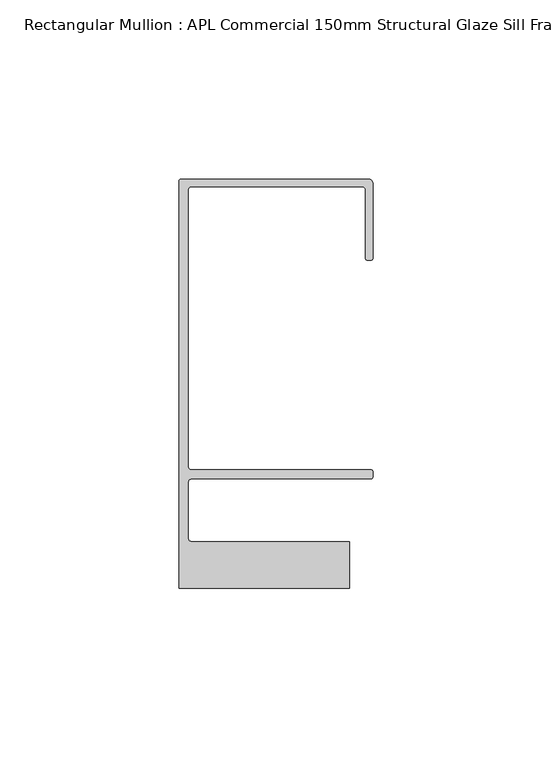
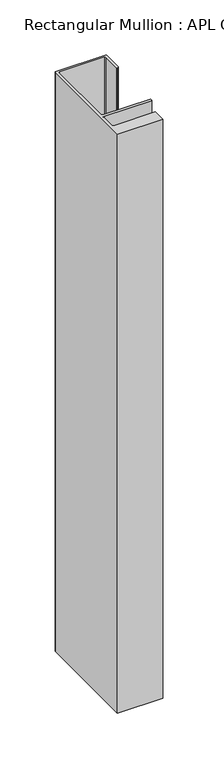
"""IFC4 building model written with IfcOpenShell, lengths in millimetres: member geometry, Rectangular Mullion : APL Commercial 150mm Structural Glaze Sill Frame (Back)."""

from ifc_helpers import new_model, si_unit, frame, origin, place, context, project, spatial, polyline, circle_curve, source, transform, mapped, element, save
from ifc_brep_helpers import plane_surface, cylinder_surface, revolved_surface, advanced_brep


def rectangular_mullion_apl_commercial_150mm_structural_glaze_623880f9(model_context):
    return source(origin(), model_context, "Body", "AdvancedBrep", [
        advanced_brep(
        [(-53.5000083, 129.0001071, 0.0), (-54.0000083, 128.5001071, 0.0), (-54.0000083, 15.0004332, 0.0), (-6.5000083, 15.0004332, 0.0), (-6.5000083, 28.0004332, 0.0), (-50.500032, 28.0004332, 0.0), (-51.500032, 29.0004332, 0.0), (-51.500032, 44.4999541, 0.0), (-50.500032, 45.4999541, 0.0), (-0.521387, 45.4999541, 0.0), (-5.4e-06, 46.0213357, 0.0), (-5.4e-06, 47.5021598, 0.0), (-0.5000012, 48.000115, 0.0), (-50.482081, 48.000115, 0.0), (-51.5000225, 48.9999541, 0.0), (-51.5000225, 126.00011, 0.0), (-50.5000083, 127.00011, 0.0), (-2.9999982, 127.00011, 0.0), (-1.9999982, 126.0001071, 0.0), (-1.9999982, 107.0001071, 0.0), (-1.4999822, 106.5001071, 0.0), (-0.5, 106.5001071, 0.0), (0.0, 107.0001071, 0.0), (0.0, 128.0001071, 0.0), (-1.0000079, 129.0001071, 0.0), (-53.5000083, 129.0001071, -644.0249631), (-1.0000079, 129.0001071, -644.0249631), (-7.9e-06, 128.0001071, -644.0249631), (0.0, 107.0001071, -644.0249631), (-0.5, 106.5001071, -644.0249631), (-1.4999822, 106.5001071, -644.0249631), (-1.9999822, 107.0001071, -644.0249631), (-1.9999982, 126.0001071, -644.0249631), (-2.9999982, 127.0001071, -644.0249631), (-50.5000083, 127.00011, -644.0249631), (-51.5000083, 126.00011, -644.0249631), (-51.5000225, 48.9999541, -644.0249631), (-50.482081, 48.000115, -644.0249631), (-0.5000012, 48.000115, -644.0249631), (-5.4e-06, 47.5021598, -644.0249631), (-5.4e-06, 46.0213357, -644.0249631), (-0.521387, 45.4999541, -644.0249631), (-50.500032, 45.4999541, -644.0249631), (-51.500032, 44.4999541, -644.0249631), (-51.500032, 29.0004332, -644.0249631), (-50.500032, 28.0004332, -644.0249631), (-6.5000083, 28.0004332, -644.0249631), (-6.5000083, 15.0004332, -644.0249631), (-54.0000083, 15.0004332, -644.0249631), (-54.0000083, 128.5001071, -644.0249631)],
        [
            (0, 1, circle_curve(frame((-53.5000083, 128.5001071, 0.0), z_axis=(0.0, 0.0, 1.0), x_axis=(0.0, 1.0, 0.0)), 0.5)),
            (1, 2),
            (2, 3),
            (3, 4),
            (4, 5),
            (5, 6, circle_curve(frame((-50.500032, 29.0004332, 0.0), z_axis=(0.0, 0.0, -1.0), x_axis=(0.0, -1.0, 0.0)), 1.0)),
            (6, 7),
            (7, 8, circle_curve(frame((-50.500032, 44.4999541, 0.0), z_axis=(0.0, 0.0, -1.0), x_axis=(-0.9999999999998819, 4.863123717036027e-07, 0.0)), 1.0)),
            (8, 9),
            (9, 10, circle_curve(frame((-0.521387, 46.0213357, 0.0), z_axis=(0.0, 0.0, 1.0), x_axis=(-1.0, 0.0, 0.0)), 0.5213816)),
            (10, 11),
            (11, 12, circle_curve(frame((-0.5000012, 47.500115, 0.0), z_axis=(0.0, 0.0, 1.0), x_axis=(0.9999999999999991, -4.5120271963110614e-08, 0.0)), 0.5)),
            (12, 13),
            (13, 14, circle_curve(frame((-50.5000225, 48.9999541, 0.0), z_axis=(0.0, 0.0, -1.0), x_axis=(3.5344775231070867e-06, -0.9999999999937538, 0.0)), 1.0)),
            (14, 15),
            (15, 16, circle_curve(frame((-50.5000083, 126.00011, 0.0), z_axis=(0.0, 0.0, -1.0), x_axis=(-1.0, 3.636202450239078e-12, 0.0)), 1.0)),
            (16, 17),
            (17, 18, circle_curve(frame((-2.9999982, 126.0001071, 0.0), z_axis=(0.0, 0.0, -1.0), x_axis=(0.0, 1.0, 0.0)), 1.0)),
            (18, 19),
            (19, 20, circle_curve(frame((-1.4999822, 107.0001071, 0.0), z_axis=(0.0, 0.0, 1.0), x_axis=(-1.0, -1.039279773351609e-08, 0.0)), 0.5)),
            (20, 21),
            (21, 22, circle_curve(frame((-0.5, 107.0001071, 0.0), z_axis=(0.0, 0.0, 1.0), x_axis=(0.0, -1.0, 0.0)), 0.5)),
            (22, 23),
            (23, 24, circle_curve(frame((-1.0000079, 128.0001071, 0.0), z_axis=(0.0, 0.0, 1.0), x_axis=(0.9999999999996143, 8.78371761103865e-07, 0.0)), 1.0)),
            (24, 0),
            (25, 26),
            (26, 27, circle_curve(frame((-1.0000079, 128.0001071, -644.0249631), z_axis=(0.0, 0.0, -1.0), x_axis=(0.9999999999996143, 8.78371761103865e-07, 0.0)), 1.0)),
            (27, 28),
            (28, 29, circle_curve(frame((-0.5, 107.0001071, -644.0249631), z_axis=(0.0, 0.0, -1.0), x_axis=(0.0, -1.0, 0.0)), 0.5)),
            (29, 30),
            (30, 31, circle_curve(frame((-1.4999822, 107.0001071, -644.0249631), z_axis=(0.0, 0.0, -1.0), x_axis=(-1.0, -1.039279773351609e-08, 0.0)), 0.5)),
            (31, 32),
            (32, 33, circle_curve(frame((-2.9999982, 126.0001071, -644.0249631), z_axis=(0.0, 0.0, 1.0), x_axis=(0.0, 1.0, 0.0)), 1.0)),
            (33, 34),
            (34, 35, circle_curve(frame((-50.5000083, 126.00011, -644.0249631), z_axis=(0.0, 0.0, 1.0), x_axis=(-1.0, 3.636202450239078e-12, 0.0)), 1.0)),
            (35, 36),
            (36, 37, circle_curve(frame((-50.5000225, 48.9999541, -644.0249631), z_axis=(0.0, 0.0, 1.0), x_axis=(3.5344775231070867e-06, -0.9999999999937538, 0.0)), 1.0)),
            (37, 38),
            (38, 39, circle_curve(frame((-0.5000012, 47.500115, -644.0249631), z_axis=(0.0, 0.0, -1.0), x_axis=(0.9999999999999991, -4.5120271963110614e-08, 0.0)), 0.5)),
            (39, 40),
            (40, 41, circle_curve(frame((-0.521387, 46.0213357, -644.0249631), z_axis=(0.0, 0.0, -1.0), x_axis=(-1.0, 0.0, 0.0)), 0.5213816)),
            (41, 42),
            (42, 43, circle_curve(frame((-50.500032, 44.4999541, -644.0249631), z_axis=(0.0, 0.0, 1.0), x_axis=(-0.9999999999998819, 4.863123717036027e-07, 0.0)), 1.0)),
            (43, 44),
            (44, 45, circle_curve(frame((-50.500032, 29.0004332, -644.0249631), z_axis=(0.0, 0.0, 1.0), x_axis=(0.0, -1.0, 0.0)), 1.0)),
            (45, 46),
            (46, 47),
            (47, 48),
            (48, 49),
            (49, 25, circle_curve(frame((-53.5000083, 128.5001071, -644.0249631), z_axis=(0.0, 0.0, -1.0), x_axis=(0.0, 1.0, 0.0)), 0.5)),
            (0, 25),
            (49, 1),
            (48, 2),
            (47, 3),
            (46, 4),
            (45, 5),
            (44, 6),
            (43, 7),
            (42, 8),
            (41, 9),
            (40, 10),
            (39, 11),
            (23, 27),
            (26, 24),
            (38, 12),
            (37, 13),
            (36, 14),
            (35, 15),
            (34, 16),
            (33, 17),
            (32, 18),
            (31, 19),
            (30, 20),
            (29, 21),
            (28, 22),
        ],
        [
            plane_surface(frame((0.0, -139.6548314, 0.0), z_axis=(0.0, 0.0, 1.0), x_axis=(-1.0, 0.0, 0.0))),
            plane_surface(frame((0.0, -139.6548314, -644.0249631), z_axis=(0.0, 0.0, -1.0), x_axis=(-1.0, 0.0, 0.0))),
            cylinder_surface(frame((-53.5000083, 128.5001071, 0.0), z_axis=(0.0, 0.0, 1.0), x_axis=(0.0, 1.0, 0.0)), 0.5),
            plane_surface(frame((-54.0000083, 128.5001071, 0.0), z_axis=(-1.0, 0.0, 0.0), x_axis=(0.0, 0.0, -1.0))),
            plane_surface(frame((-54.0000083, 15.0004332, 0.0), z_axis=(0.0, -1.0, 0.0), x_axis=(0.0, 0.0, -1.0))),
            plane_surface(frame((-6.5000083, 15.0004332, 0.0), z_axis=(1.0, 0.0, 0.0), x_axis=(0.0, 0.0, -1.0))),
            plane_surface(frame((-6.5000083, 28.0004332, 0.0), z_axis=(0.0, 1.0, 0.0), x_axis=(0.0, 0.0, -1.0))),
            revolved_surface(polyline([(-50.500032, 28.0004332, -644.0249631), (-50.500032, 28.0004332, 0.0)]), (-50.500032, 29.0004332, 0.0), (0.0, 0.0, -1.0)),
            plane_surface(frame((-51.500032, 29.0004332, 0.0), z_axis=(1.0, 0.0, 0.0), x_axis=(0.0, 0.0, -1.0))),
            revolved_surface(polyline([(-51.50003199999988, 44.49995458631237, -644.0249631000003), (-51.50003199999988, 44.49995458631237, 0.0)]), (-50.500032, 44.4999541, 0.0), (0.0, 0.0, -1.0000000000000002)),
            plane_surface(frame((-50.500032, 45.4999541, 0.0), z_axis=(0.0, -1.0, 0.0), x_axis=(0.0, 0.0, -1.0))),
            cylinder_surface(frame((-0.521387, 46.0213357, 0.0), z_axis=(0.0, 0.0, 1.0), x_axis=(-1.0, 0.0, 0.0)), 0.5213816),
            plane_surface(frame((-5.4e-06, 46.0213357, 0.0), z_axis=(1.0, 0.0, 0.0), x_axis=(0.0, 0.0, -1.0))),
            cylinder_surface(frame((-1.0000079, 128.0001071, 0.0), z_axis=(0.0, 0.0, 1.0000000000000002), x_axis=(0.9999999999996143, 8.78371761103865e-07, 0.0)), 1.0),
            plane_surface(frame((-1.0000079, 129.0001071, 0.0), z_axis=(0.0, 1.0, 0.0), x_axis=(0.0, 0.0, -1.0))),
            cylinder_surface(frame((-0.5000012, 47.500115, 0.0), z_axis=(0.0, 0.0, 1.0000000000000002), x_axis=(0.9999999999999991, -4.5120271963110614e-08, 0.0)), 0.5),
            plane_surface(frame((-0.5000012, 48.000115, 0.0), z_axis=(0.0, 1.0, 0.0), x_axis=(0.0, 0.0, -1.0))),
            revolved_surface(polyline([(-50.50001896552248, 47.99995410000624, -644.0249631), (-50.50001896552248, 47.99995410000624, 0.0)]), (-50.5000225, 48.9999541, 0.0), (0.0, 0.0, -1.0)),
            plane_surface(frame((-51.5000225, 48.9999541, 0.0), z_axis=(1.0, 0.0, 0.0), x_axis=(0.0, 0.0, -1.0))),
            revolved_surface(polyline([(-51.5000083, 126.00011000000364, -644.0249631), (-51.5000083, 126.00011000000364, 0.0)]), (-50.5000083, 126.00011, 0.0), (0.0, 0.0, -1.0)),
            plane_surface(frame((-50.5000083, 127.00011, 0.0), z_axis=(0.0, -1.0, 0.0), x_axis=(0.0, 0.0, -1.0))),
            revolved_surface(polyline([(-2.9999982, 127.0001071, -644.0249631), (-2.9999982, 127.0001071, 0.0)]), (-2.9999982, 126.0001071, 0.0), (0.0, 0.0, -1.0)),
            plane_surface(frame((-1.9999982, 126.0001071, 0.0), z_axis=(-1.0, 0.0, 0.0), x_axis=(0.0, 0.0, -1.0))),
            cylinder_surface(frame((-1.4999822, 107.0001071, 0.0), z_axis=(0.0, 0.0, 1.0), x_axis=(-1.0, -1.039279773351609e-08, 0.0)), 0.5),
            plane_surface(frame((-1.4999822, 106.5001071, 0.0), z_axis=(0.0, -1.0, 0.0), x_axis=(0.0, 0.0, -1.0))),
            cylinder_surface(frame((-0.5, 107.0001071, 0.0), z_axis=(0.0, 0.0, 1.0), x_axis=(0.0, -1.0, 0.0)), 0.5),
            plane_surface(frame((0.0, 107.0001071, 0.0), z_axis=(1.0, 0.0, 0.0), x_axis=(0.0, 0.0, -1.0))),
        ],
        [
            (0, [[1, 2, 3, 4, 5, 6, 7, 8, 9, 10, 11, 12, 13, 14, 15, 16, 17, 18, 19, 20, 21, 22, 23, 24, 25]]),
            (1, [[26, 27, 28, 29, 30, 31, 32, 33, 34, 35, 36, 37, 38, 39, 40, 41, 42, 43, 44, 45, 46, 47, 48, 49, 50]]),
            (2, [[-1, 51, -50, 52]]),
            (3, [[-2, -52, -49, 53]]),
            (4, [[-3, -53, -48, 54]]),
            (5, [[-4, -54, -47, 55]]),
            (6, [[-5, -55, -46, 56]]),
            (7, [[-6, -56, -45, 57]]),
            (8, [[-7, -57, -44, 58]]),
            (9, [[-8, -58, -43, 59]]),
            (10, [[-9, -59, -42, 60]]),
            (11, [[-10, -60, -41, 61]]),
            (12, [[-11, -61, -40, 62]]),
            (13, [[-24, 63, -27, 64]]),
            (14, [[-25, -64, -26, -51]]),
            (15, [[-12, -62, -39, 65]]),
            (16, [[-13, -65, -38, 66]]),
            (17, [[-14, -66, -37, 67]]),
            (18, [[-15, -67, -36, 68]]),
            (19, [[-16, -68, -35, 69]]),
            (20, [[-17, -69, -34, 70]]),
            (21, [[-18, -70, -33, 71]]),
            (22, [[-19, -71, -32, 72]]),
            (23, [[-20, -72, -31, 73]]),
            (24, [[-21, -73, -30, 74]]),
            (25, [[-22, -74, -29, 75]]),
            (26, [[-23, -75, -28, -63]]),
        ],
    ),
    ])


if __name__ == "__main__":
    model = new_model("IFC4")
    model_context = context("Model", 3, world=origin())
    ifc_project = project(units=[si_unit("LENGTHUNIT", "METRE", prefix="MILLI")], contexts=[model_context])
    site = spatial("IfcSite", under=ifc_project)
    building = spatial("IfcBuilding", under=site)
    placement = place(None, origin())
    rectangular_mullion_apl_commercial_150mm_structural_glaze_shape = rectangular_mullion_apl_commercial_150mm_structural_glaze_623880f9(model_context)
    element("IfcMember", 1, ObjectType="Rectangular Mullion : APL Commercial 150mm Structural Glaze Sill Frame (Back)", at=placement, inside=building, context=model_context, shape_type="MappedRepresentation", body=[
        mapped(rectangular_mullion_apl_commercial_150mm_structural_glaze_shape, transform((0.0, 0.0, 0.0), x_axis=(1.0, 0.0, 0.0), y_axis=(0.0, 1.0, 0.0), z_axis=(0.0, 0.0, 1.0))),
    ])
    save(model, "model.ifc")
